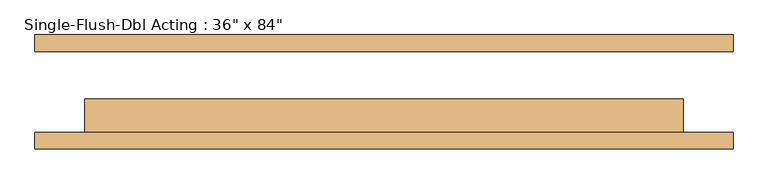
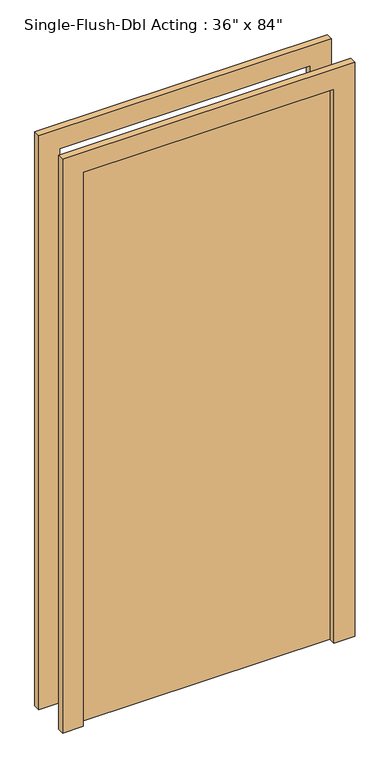
"""IFC4 building model written with IfcOpenShell, lengths in millimetres: door geometry."""

from ifc_helpers import new_model, si_unit, frame, origin, origin_with_axes, place, context, project, spatial, polyline, outline, extrude, source, transform, mapped, element, save


def door_eb9f8b14(model_context):
    return source(origin(), model_context, "Body", "SweptSolid", [
        extrude(outline(polyline([(2209.8, -533.4), (0.0, -533.4), (0.0, -457.2), (2133.6, -457.2), (2133.6, 457.2), (0.0, 457.2), (0.0, 533.4), (2209.8, 533.4), (2209.8, -533.4)])), frame((0.0, -87.3125, 0.0), z_axis=(0.0, 1.0, 0.0), x_axis=(0.0, 0.0, 1.0)), (0.0, 0.0, 1.0), 25.4),
        extrude(outline(polyline([(2209.8, 533.4), (2209.8, -533.4), (0.0, -533.4), (0.0, -457.2), (2133.6, -457.2), (2133.6, 457.2), (0.0, 457.2), (0.0, 533.4), (2209.8, 533.4)])), frame((0.0, 61.9125, 0.0), z_axis=(0.0, 1.0, 0.0), x_axis=(0.0, 0.0, 1.0)), (0.0, 0.0, 1.0), 25.4),
        extrude(outline(polyline([(457.2, -11.1125), (457.2, -61.9125), (-457.2, -61.9125), (-457.2, -11.1125), (457.2, -11.1125)])), origin_with_axes(), (0.0, 0.0, 1.0), 2133.6),
    ])


if __name__ == "__main__":
    model = new_model("IFC4")
    model_context = context("Model", 3, world=origin())
    ifc_project = project(units=[si_unit("LENGTHUNIT", "METRE", prefix="MILLI")], contexts=[model_context])
    site = spatial("IfcSite", under=ifc_project)
    building = spatial("IfcBuilding", under=site)
    placement = place(None, origin())
    door_shape = door_eb9f8b14(model_context)
    element("IfcDoor", 1, ObjectType="Single-Flush-Dbl Acting : 36\" x 84\"", at=placement, inside=building, context=model_context, shape_type="MappedRepresentation", body=[
        mapped(door_shape, transform((0.0, 0.0, 0.0), x_axis=(1.0, 0.0, 0.0), y_axis=(0.0, 1.0, 0.0), z_axis=(0.0, 0.0, 1.0))),
    ])
    save(model, "model.ifc")
